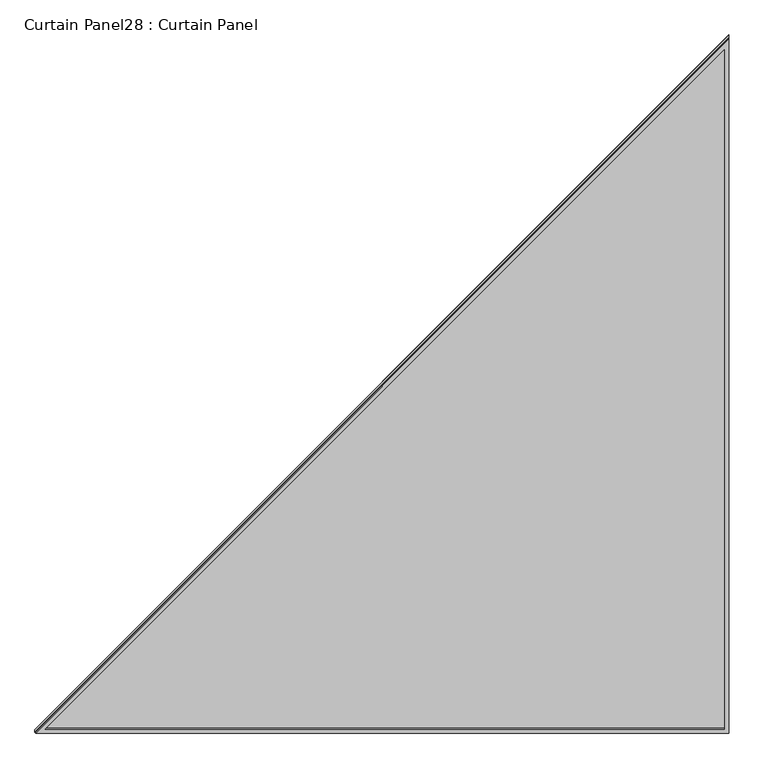
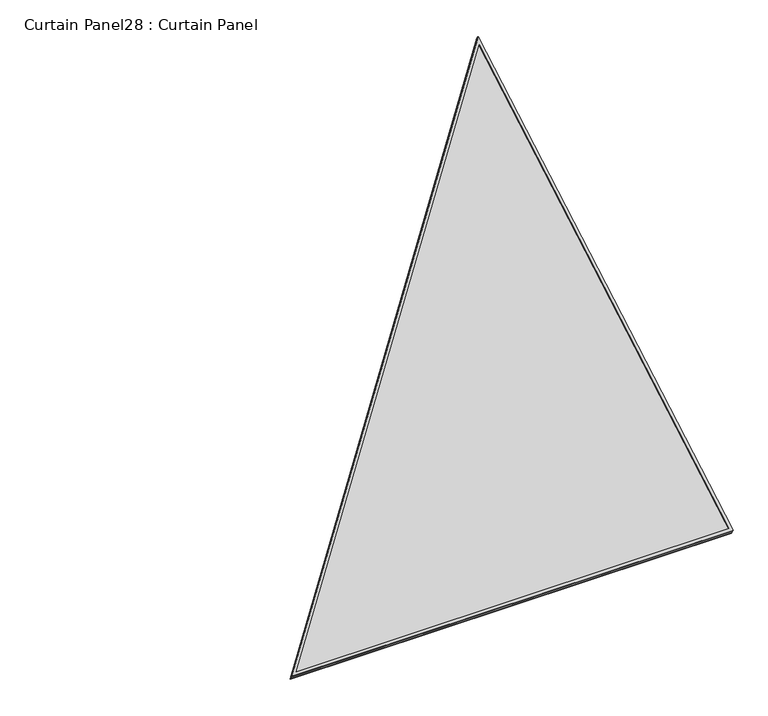
"""IFC4 building model written with IfcOpenShell, lengths in millimetres: plate geometry, Curtain Panel28 : Curtain Panel."""

from ifc_helpers import new_model, si_unit, frame, origin, place, context, project, spatial, polyline, outline, extrude, source, transform, mapped, element, save


def curtain_panel28_curtain_panel_c97d3e32(model_context):
    return source(origin(), model_context, "Body", "SweptSolid", [
        extrude(outline(polyline([(2018.4706654, -11.1252), (-11.1252001, -11.1252), (-11.1252001, 1746.5563789), (2018.4706654, -11.1252)]), holes=[polyline([(1988.6303673, 0.0), (0.0, 1722.2044168), (0.0, 0.0), (1988.6303673, 0.0)])]), frame((11697.9870101, 8958.9844994, -21.3346674), z_axis=(0.0, -0.5000000000000021, 0.8660254037844375), x_axis=(0.0, 0.8660254037844375, 0.5000000000000021)), (0.0, 0.0, 1.0), 4.7534444),
        extrude(outline(polyline([(2018.4706655, -11.1252), (-11.1252, -11.1252), (-11.1252, 1746.5563789), (2018.4706655, -11.1252)]), holes=[polyline([(1988.6303674, 0.0), (0.0, 1722.2044168), (0.0, 0.0), (1988.6303674, 0.0)])]), frame((11697.9870101, 8950.2144608, -6.1445152), z_axis=(0.0, -0.5000000000000024, 0.8660254037844374), x_axis=(0.0, 0.8660254037844374, 0.5000000000000024)), (0.0, 0.0, 1.0), 4.938923),
        extrude(outline(polyline([(12.7, 0.0), (1772.0697927, 0.0), (12.7, -2031.5452468), (12.7, 0.0)])), frame((11721.8122101, 8946.9832648, -22.7983194), z_axis=(0.0, -0.5000000000000002, 0.8660254037844386), x_axis=(-1.0, 0.0, 0.0)), (0.0, 0.0, 1.0), 12.9224371),
    ])


if __name__ == "__main__":
    model = new_model("IFC4")
    model_context = context("Model", 3, world=origin())
    ifc_project = project(units=[si_unit("LENGTHUNIT", "METRE", prefix="MILLI")], contexts=[model_context])
    site = spatial("IfcSite", under=ifc_project)
    building = spatial("IfcBuilding", under=site)
    placement = place(None, origin())
    curtain_panel28_curtain_panel_shape = curtain_panel28_curtain_panel_c97d3e32(model_context)
    element("IfcPlate", 1, ObjectType="Curtain Panel28 : Curtain Panel", at=placement, inside=building, context=model_context, shape_type="MappedRepresentation", body=[
        mapped(curtain_panel28_curtain_panel_shape, transform((0.0, 0.0, 0.0), x_axis=(1.0, 0.0, 0.0), y_axis=(0.0, 1.0, 0.0), z_axis=(0.0, 0.0, 1.0))),
    ])
    save(model, "model.ifc")
